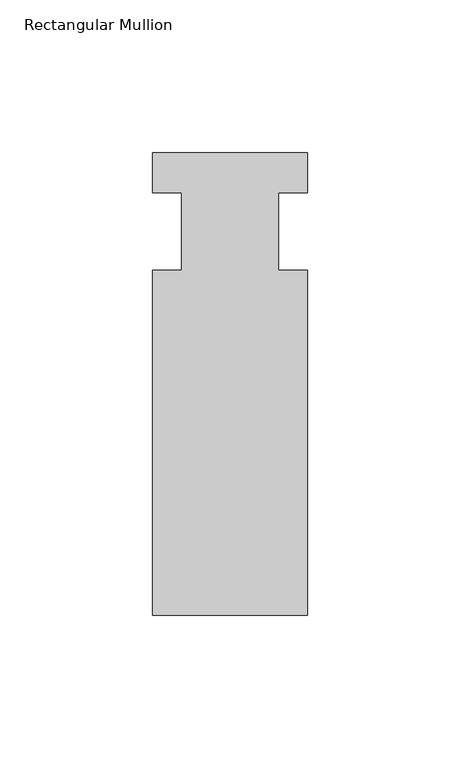
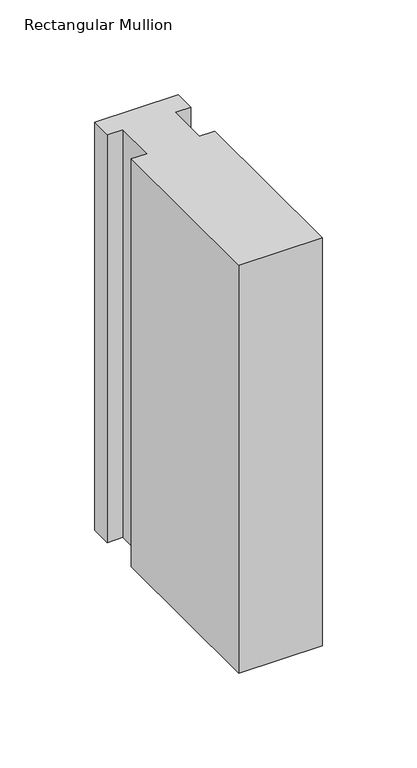
"""IFC4 building model written with IfcOpenShell, lengths in millimetres: member geometry, Rectangular Mullion."""

from ifc_helpers import new_model, si_unit, frame, origin, place, context, project, spatial, polyline, outline, extrude, source, transform, mapped, element, save


def rectangular_mullion_966b3f60(model_context):
    return source(origin(), model_context, "Body", "SweptSolid", [
        extrude(outline(polyline([(-25.4, 25.796875), (25.4, 25.796875), (25.4, 12.7), (15.875, 12.7), (15.875, -12.7), (25.4, -12.7), (25.4, -125.809375), (-25.4, -125.809375), (-25.4, -12.7), (-15.875, -12.7), (-15.875, 12.7), (-25.4, 12.7), (-25.4, 25.796875)])), frame((0.0, 0.0, -262.4666667), z_axis=(0.0, 0.0, 1.0), x_axis=(1.0, 0.0, 0.0)), (0.0, 0.0, 1.0), 262.4666667),
    ])


if __name__ == "__main__":
    model = new_model("IFC4")
    model_context = context("Model", 3, world=origin())
    ifc_project = project(units=[si_unit("LENGTHUNIT", "METRE", prefix="MILLI")], contexts=[model_context])
    site = spatial("IfcSite", under=ifc_project)
    building = spatial("IfcBuilding", under=site)
    placement = place(None, origin())
    rectangular_mullion_shape = rectangular_mullion_966b3f60(model_context)
    element("IfcMember", 1, ObjectType="Rectangular Mullion", at=placement, inside=building, context=model_context, shape_type="MappedRepresentation", body=[
        mapped(rectangular_mullion_shape, transform((0.0, 0.0, 0.0), x_axis=(1.0, 0.0, 0.0), y_axis=(0.0, 1.0, 0.0), z_axis=(0.0, 0.0, 1.0))),
    ])
    save(model, "model.ifc")
